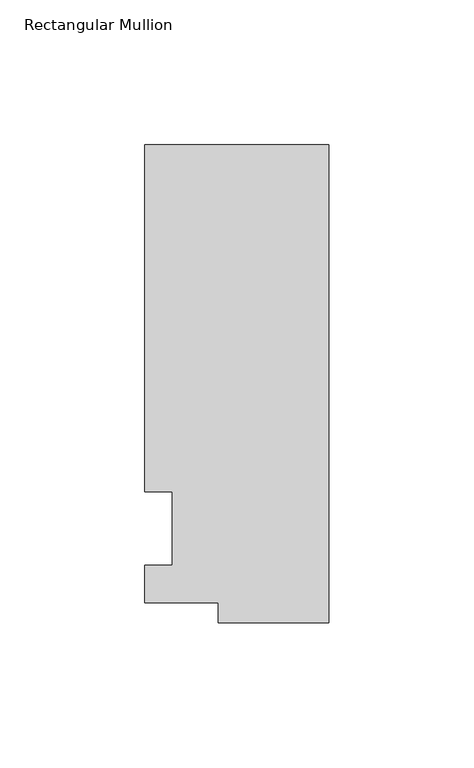
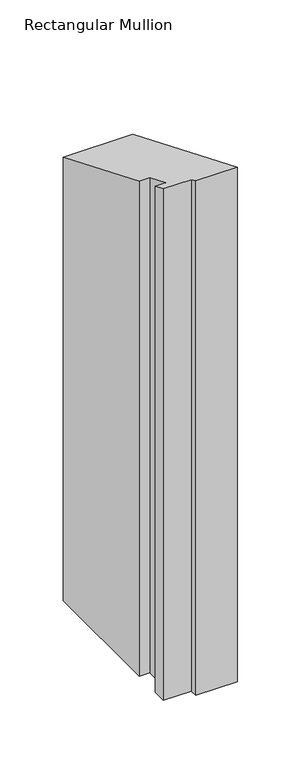
"""IFC4 building model written with IfcOpenShell, lengths in millimetres: member geometry, Rectangular Mullion."""

import ifcopenshell
import ifcopenshell.guid

model = None  # the IFC model being written
_history = None  # IfcOwnerHistory: only IFC2X3 demands one
_inside = {}  # id of a spatial element -> (the spatial element, [elements in it])
_under = {}  # id of a project, library or spatial element -> (it, [spatial elements below it])
_declared = {}  # id of a project -> (the project, [libraries it declares])
_typed = {}  # id of a type object -> (the type object, [elements of that type])
_made_of = {}  # id of a material, layer set ... -> (it, [elements and type objects made of it])


def new_model(schema):
    """Start an empty IFC model of exactly this schema.

    Asked for "IFC4X3", IfcOpenShell would pick the latest addendum, in which some entities
    have other attributes; the version numbers below select the first issue.
    IFC2X3 requires an IfcOwnerHistory on every rooted entity: one is made here for all.
    """
    global model, _history
    if schema == "IFC4X3":
        model = ifcopenshell.file(schema_version=(4, 3, 0, 0))
    else:
        model = ifcopenshell.file(schema=schema)
    _inside.clear()
    _under.clear()
    _declared.clear()
    _typed.clear()
    _made_of.clear()
    _history = None
    if model.schema == "IFC2X3":
        org = make("IfcOrganization", Name="unknown")
        user = make(
            "IfcPersonAndOrganization",
            ThePerson=make("IfcPerson", FamilyName="unknown"),
            TheOrganization=org,
        )
        app = make(
            "IfcApplication",
            ApplicationDeveloper=org,
            Version="unknown",
            ApplicationFullName="unknown",
            ApplicationIdentifier="unknown",
        )
        _history = make(
            "IfcOwnerHistory",
            OwningUser=user,
            OwningApplication=app,
            ChangeAction="ADDED",
            CreationDate=0,
        )
    return model


def make(cls, **values):
    """One entity of the class cls with the attributes given. An attribute that is None is left unset."""
    return model.create_entity(
        cls, **{name: value for name, value in values.items() if value is not None}
    )


def rooted(cls, **values):
    """An entity with a GlobalId (a new one), such as an element, a storey or a relation."""
    return make(cls, GlobalId=ifcopenshell.guid.new(), OwnerHistory=_history, **values)


def si_unit(unit_type, name, prefix=None):
    """IfcSIUnit, for example si_unit("LENGTHUNIT", "METRE", prefix="MILLI")."""
    return make("IfcSIUnit", UnitType=unit_type, Prefix=prefix, Name=name)


def assignment(units):
    """IfcUnitAssignment: the units of a project."""
    return None if units is None else make("IfcUnitAssignment", Units=units)


def point(xyz):
    """IfcCartesianPoint."""
    return None if xyz is None else make("IfcCartesianPoint", Coordinates=xyz)


def direction(xyz):
    """IfcDirection."""
    return None if xyz is None else make("IfcDirection", DirectionRatios=xyz)


def frame(location, z_axis=None, x_axis=None):
    """IfcAxis2Placement3D, a coordinate frame: its origin and axes. An axis left out is left unset."""
    return make(
        "IfcAxis2Placement3D",
        Location=point(location),
        Axis=direction(z_axis),
        RefDirection=direction(x_axis),
    )


def origin():
    """The frame at (0, 0, 0) with its axes left unset."""
    return frame((0.0, 0.0, 0.0))


def place(relative_to, where):
    """IfcLocalPlacement: puts the frame where relative to a parent placement (None: the world)."""
    return make(
        "IfcLocalPlacement", PlacementRelTo=relative_to, RelativePlacement=where
    )


def context(
    kind, dimensions, precision=None, world=None, true_north=None, identifier=None
):
    """IfcGeometricRepresentationContext, for example the 3D "Model" context."""
    return make(
        "IfcGeometricRepresentationContext",
        ContextIdentifier=identifier,
        ContextType=kind,
        CoordinateSpaceDimension=dimensions,
        Precision=precision,
        WorldCoordinateSystem=world,
        TrueNorth=true_north,
    )


def project(units=None, contexts=None):
    """IfcProject with its units and contexts."""
    return rooted(
        "IfcProject",
        Name="project",
        RepresentationContexts=contexts,
        UnitsInContext=assignment(units),
    )


def spatial(cls, under=None, at=None, **own):
    """A site, building, storey or space (cls), placed at a placement, below another one or the project."""
    s = rooted(cls, ObjectPlacement=at, **own)
    if under is not None:
        _under.setdefault(under.id(), (under, []))[1].append(s)
    return s


def faces_of(points, faces, orient=None, outer=None):
    """IfcFace entities. A face is a list of loops; a loop is a list of indices into points, from 0.

    orient and outer hold one flag for each loop. By default every Orientation is true, the
    first loop of a face is its IfcFaceOuterBound and the others are IfcFaceBound.
    """
    made = []
    for i, loops in enumerate(faces):
        bounds = []
        for j, loop in enumerate(loops):
            is_outer = j == 0 if outer is None else outer[i][j]
            bounds.append(
                make(
                    "IfcFaceOuterBound" if is_outer else "IfcFaceBound",
                    Bound=make("IfcPolyLoop", Polygon=[points[k] for k in loop]),
                    Orientation=True if orient is None else orient[i][j],
                )
            )
        made.append(make("IfcFace", Bounds=bounds))
    return made


def faceted_brep(points, faces, orient=None, outer=None, voids=None):
    """IfcFacetedBrep: a solid bounded by flat faces; with voids (closed shells), ...WithVoids."""
    shared = [point(p) for p in points]
    hull = make("IfcClosedShell", CfsFaces=faces_of(shared, faces, orient, outer))
    if voids is None:
        return make("IfcFacetedBrep", Outer=hull)
    return make(
        "IfcFacetedBrepWithVoids",
        Outer=hull,
        Voids=[
            make(cls, CfsFaces=faces_of(shared, fs, o, b)) for cls, fs, o, b in voids
        ],
    )


def shape(context_of_items, identifier, shape_type, items):
    """IfcShapeRepresentation: the items that make up one representation, for example the "Body"."""
    return make(
        "IfcShapeRepresentation",
        ContextOfItems=context_of_items,
        RepresentationIdentifier=identifier,
        RepresentationType=shape_type,
        Items=items,
    )


def source(mapping_origin, context_of_items, identifier, shape_type, items):
    """IfcRepresentationMap: a shape defined once, which mapped items show again and again."""
    return make(
        "IfcRepresentationMap",
        MappingOrigin=mapping_origin,
        MappedRepresentation=shape(context_of_items, identifier, shape_type, items),
    )


def transform(
    local_origin,
    x_axis=None,
    y_axis=None,
    z_axis=None,
    scale=None,
    scale2=None,
    scale3=None,
    uniform=True,
):
    """IfcCartesianTransformationOperator3D, or its non-uniform kind. x_axis, y_axis, z_axis: its Axis1, 2, 3."""
    if uniform:
        return make(
            "IfcCartesianTransformationOperator3D",
            Axis1=direction(x_axis),
            Axis2=direction(y_axis),
            LocalOrigin=point(local_origin),
            Scale=scale,
            Axis3=direction(z_axis),
        )
    return make(
        "IfcCartesianTransformationOperator3DnonUniform",
        Axis1=direction(x_axis),
        Axis2=direction(y_axis),
        LocalOrigin=point(local_origin),
        Scale=scale,
        Axis3=direction(z_axis),
        Scale2=scale2,
        Scale3=scale3,
    )


def mapped(mapping_source, mapping_target):
    """IfcMappedItem: shows the shape of a source again, moved by a transform."""
    return make(
        "IfcMappedItem", MappingSource=mapping_source, MappingTarget=mapping_target
    )


def made_of(thing, what):
    """Note that an element or type object is made of a material, layer set ...; save() writes the relation."""
    if what is not None:
        _made_of.setdefault(what.id(), (what, []))[1].append(thing)
    return thing


def element(
    cls,
    number,
    at=None,
    inside=None,
    cuts=None,
    type_object=None,
    material=None,
    context=None,
    identifier="Body",
    shape_type=None,
    held_by="IfcProductDefinitionShape",
    body=None,
    shapes=None,
    **own,
):
    """One element of the class cls, such as IfcWall. Its Tag is "e" and its number.

    at: its placement. inside: the storey or other place that contains it. cuts: it is an
    opening in that element (IfcRelVoidsElement). A single representation is given by context,
    identifier, shape_type and body (its items); several are given by shapes. held_by: the class
    of the entity that holds the representations. save() writes the other relations.
    """
    e = rooted(cls, Tag="e%d" % number, ObjectPlacement=at, **own)
    if body is not None:
        shapes = [shape(context, identifier, shape_type, body)]
    if shapes is not None:
        e.Representation = make(held_by, Representations=shapes)
    if inside is not None:
        _inside.setdefault(inside.id(), (inside, []))[1].append(e)
    if cuts is not None:
        rooted(
            "IfcRelVoidsElement", RelatingBuildingElement=cuts, RelatedOpeningElement=e
        )
    if type_object is not None:
        _typed.setdefault(type_object.id(), (type_object, []))[1].append(e)
    return made_of(e, material)


def aggregate(whole, parts):
    """IfcRelAggregates: a whole, such as a stair, and the parts it consists of."""
    return rooted("IfcRelAggregates", RelatingObject=whole, RelatedObjects=parts)


def save(model, path):
    """Write the relations noted so far, then the file.

    IfcRelAggregates (storeys below a building ...), IfcRelContainedInSpatialStructure (elements
    in a storey), IfcRelDefinesByType, IfcRelAssociatesMaterial and IfcRelDeclares: one each for
    every whole, place, type object, material and project.
    """
    for whole, parts in _under.values():
        aggregate(whole, parts)
    for where, things in _inside.values():
        rooted(
            "IfcRelContainedInSpatialStructure",
            RelatedElements=things,
            RelatingStructure=where,
        )
    for kind, things in _typed.values():
        rooted("IfcRelDefinesByType", RelatedObjects=things, RelatingType=kind)
    for what, things in _made_of.values():
        rooted("IfcRelAssociatesMaterial", RelatedObjects=things, RelatingMaterial=what)
    for by, libraries in _declared.values():
        rooted("IfcRelDeclares", RelatingContext=by, RelatedDefinitions=libraries)
    model.write(path)


def rectangular_mullion_194d1839(model_context):
    return source(origin(), model_context, "Body", "Brep", [
        faceted_brep([(-38.1, -32.54375, -482.6), (-38.1, -25.58415, -482.6), (-63.5, -25.58415, -482.6), (-63.5, -12.7, -482.6), (-53.975, -12.7, -482.6), (-53.975, 12.7, -482.6), (-63.5, 12.7, -482.6), (-63.5, 132.55625, -482.6), (0.0, 132.55625, -482.6), (0.0, -32.54375, -482.6), (0.0, -32.54375, 13.4800626), (-38.1, -32.54375, 13.4800626), (0.0, 132.55625, -54.9065965), (-63.5, 132.55625, -54.9065965), (-63.5, 12.7, -5.2605122), (-53.975, 12.7, -5.2605122), (-53.975, -12.7, 5.2605122), (-63.5, -12.7, 5.2605122), (-63.5, -25.58415, 10.5973019), (-38.1, -25.58415, 10.5973019)], [[[0, 1, 2, 3, 4, 5, 6, 7, 8, 9]], [[10, 11, 0, 9]], [[12, 10, 9, 8]], [[13, 12, 8, 7]], [[14, 13, 7, 6]], [[15, 14, 6, 5]], [[16, 15, 5, 4]], [[17, 16, 4, 3]], [[18, 17, 3, 2]], [[19, 18, 2, 1]], [[11, 19, 1, 0]], [[11, 10, 12, 13, 14, 15, 16, 17, 18, 19]]]),
    ])


if __name__ == "__main__":
    model = new_model("IFC4")
    model_context = context("Model", 3, world=origin())
    ifc_project = project(units=[si_unit("LENGTHUNIT", "METRE", prefix="MILLI")], contexts=[model_context])
    site = spatial("IfcSite", under=ifc_project)
    building = spatial("IfcBuilding", under=site)
    placement = place(None, origin())
    rectangular_mullion_shape = rectangular_mullion_194d1839(model_context)
    element("IfcMember", 1, ObjectType="Rectangular Mullion", at=placement, inside=building, context=model_context, shape_type="MappedRepresentation", body=[
        mapped(rectangular_mullion_shape, transform((0.0, 0.0, 0.0), x_axis=(1.0, 0.0, 0.0), y_axis=(0.0, 1.0, 0.0), z_axis=(0.0, 0.0, 1.0))),
    ])
    save(model, "model.ifc")
